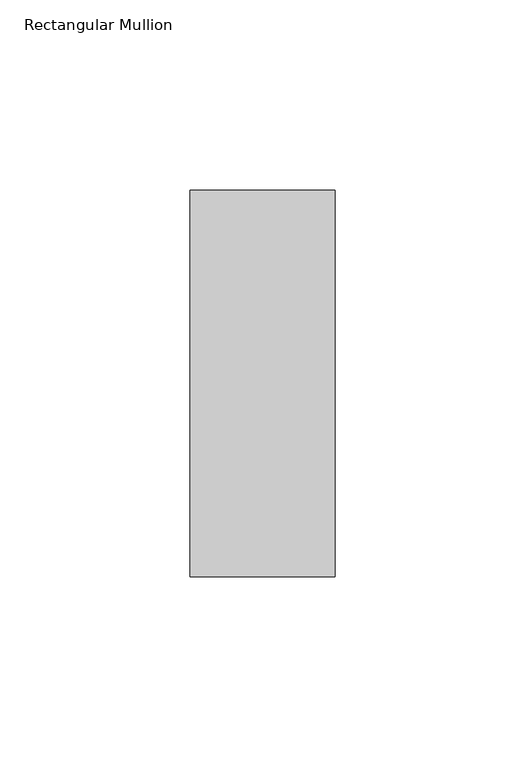
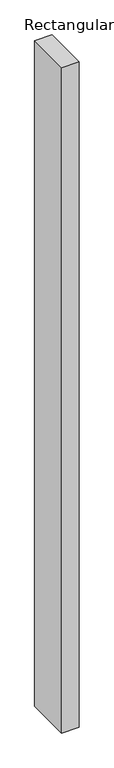
"""IFC4 building model written with IfcOpenShell, lengths in millimetres: member geometry, Rectangular Mullion."""

from ifc_helpers import new_model, si_unit, frame, origin, place, context, project, spatial, polyline, outline, extrude, source, transform, mapped, element, save


def rectangular_mullion_9dc80b3b(model_context):
    return source(origin(), model_context, "Body", "SweptSolid", [
        extrude(outline(polyline([(0.0, -50.8), (-38.1118723, -50.8), (-38.1118723, 50.8), (0.0, 50.8), (0.0, -50.8)])), frame((0.0, 0.0, -1529.5626), z_axis=(0.0, 0.0, 1.0), x_axis=(1.0, 0.0, 0.0)), (0.0, 0.0, 1.0), 1529.5626),
    ])


if __name__ == "__main__":
    model = new_model("IFC4")
    model_context = context("Model", 3, world=origin())
    ifc_project = project(units=[si_unit("LENGTHUNIT", "METRE", prefix="MILLI")], contexts=[model_context])
    site = spatial("IfcSite", under=ifc_project)
    building = spatial("IfcBuilding", under=site)
    placement = place(None, origin())
    rectangular_mullion_shape = rectangular_mullion_9dc80b3b(model_context)
    element("IfcMember", 1, ObjectType="Rectangular Mullion", at=placement, inside=building, context=model_context, shape_type="MappedRepresentation", body=[
        mapped(rectangular_mullion_shape, transform((0.0, 0.0, 0.0), x_axis=(1.0, 0.0, 0.0), y_axis=(0.0, 1.0, 0.0), z_axis=(0.0, 0.0, 1.0))),
    ])
    save(model, "model.ifc")
